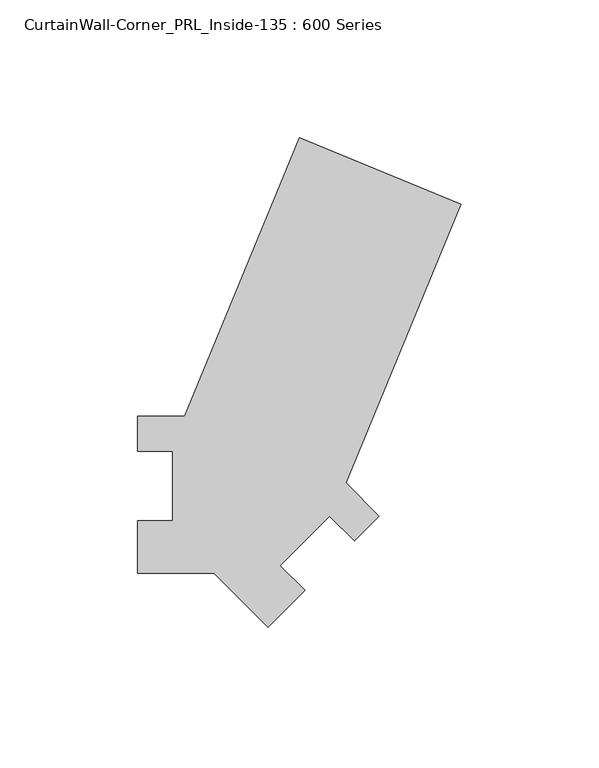
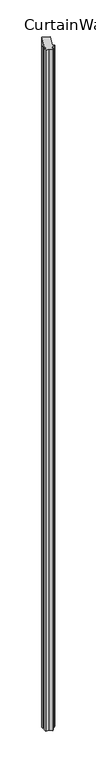
"""IFC4 building model written with IfcOpenShell, lengths in millimetres: proxy geometry, CurtainWall-Corner_PRL_Inside-135 : 600 Series."""

import ifcopenshell
import ifcopenshell.guid

model = None  # the IFC model being written
_history = None  # IfcOwnerHistory: only IFC2X3 demands one
_inside = {}  # id of a spatial element -> (the spatial element, [elements in it])
_under = {}  # id of a project, library or spatial element -> (it, [spatial elements below it])
_declared = {}  # id of a project -> (the project, [libraries it declares])
_typed = {}  # id of a type object -> (the type object, [elements of that type])
_made_of = {}  # id of a material, layer set ... -> (it, [elements and type objects made of it])


def new_model(schema):
    """Start an empty IFC model of exactly this schema.

    Asked for "IFC4X3", IfcOpenShell would pick the latest addendum, in which some entities
    have other attributes; the version numbers below select the first issue.
    IFC2X3 requires an IfcOwnerHistory on every rooted entity: one is made here for all.
    """
    global model, _history
    if schema == "IFC4X3":
        model = ifcopenshell.file(schema_version=(4, 3, 0, 0))
    else:
        model = ifcopenshell.file(schema=schema)
    _inside.clear()
    _under.clear()
    _declared.clear()
    _typed.clear()
    _made_of.clear()
    _history = None
    if model.schema == "IFC2X3":
        org = make("IfcOrganization", Name="unknown")
        user = make(
            "IfcPersonAndOrganization",
            ThePerson=make("IfcPerson", FamilyName="unknown"),
            TheOrganization=org,
        )
        app = make(
            "IfcApplication",
            ApplicationDeveloper=org,
            Version="unknown",
            ApplicationFullName="unknown",
            ApplicationIdentifier="unknown",
        )
        _history = make(
            "IfcOwnerHistory",
            OwningUser=user,
            OwningApplication=app,
            ChangeAction="ADDED",
            CreationDate=0,
        )
    return model


def make(cls, **values):
    """One entity of the class cls with the attributes given. An attribute that is None is left unset."""
    return model.create_entity(
        cls, **{name: value for name, value in values.items() if value is not None}
    )


def rooted(cls, **values):
    """An entity with a GlobalId (a new one), such as an element, a storey or a relation."""
    return make(cls, GlobalId=ifcopenshell.guid.new(), OwnerHistory=_history, **values)


def si_unit(unit_type, name, prefix=None):
    """IfcSIUnit, for example si_unit("LENGTHUNIT", "METRE", prefix="MILLI")."""
    return make("IfcSIUnit", UnitType=unit_type, Prefix=prefix, Name=name)


def assignment(units):
    """IfcUnitAssignment: the units of a project."""
    return None if units is None else make("IfcUnitAssignment", Units=units)


def point(xyz):
    """IfcCartesianPoint."""
    return None if xyz is None else make("IfcCartesianPoint", Coordinates=xyz)


def direction(xyz):
    """IfcDirection."""
    return None if xyz is None else make("IfcDirection", DirectionRatios=xyz)


def frame(location, z_axis=None, x_axis=None):
    """IfcAxis2Placement3D, a coordinate frame: its origin and axes. An axis left out is left unset."""
    return make(
        "IfcAxis2Placement3D",
        Location=point(location),
        Axis=direction(z_axis),
        RefDirection=direction(x_axis),
    )


def origin():
    """The frame at (0, 0, 0) with its axes left unset."""
    return frame((0.0, 0.0, 0.0))


def origin_with_axes():
    """The frame at (0, 0, 0) with the z axis (0, 0, 1) and the x axis (1, 0, 0) written out."""
    return frame((0.0, 0.0, 0.0), z_axis=(0.0, 0.0, 1.0), x_axis=(1.0, 0.0, 0.0))


def place(relative_to, where):
    """IfcLocalPlacement: puts the frame where relative to a parent placement (None: the world)."""
    return make(
        "IfcLocalPlacement", PlacementRelTo=relative_to, RelativePlacement=where
    )


def context(
    kind, dimensions, precision=None, world=None, true_north=None, identifier=None
):
    """IfcGeometricRepresentationContext, for example the 3D "Model" context."""
    return make(
        "IfcGeometricRepresentationContext",
        ContextIdentifier=identifier,
        ContextType=kind,
        CoordinateSpaceDimension=dimensions,
        Precision=precision,
        WorldCoordinateSystem=world,
        TrueNorth=true_north,
    )


def project(units=None, contexts=None):
    """IfcProject with its units and contexts."""
    return rooted(
        "IfcProject",
        Name="project",
        RepresentationContexts=contexts,
        UnitsInContext=assignment(units),
    )


def spatial(cls, under=None, at=None, **own):
    """A site, building, storey or space (cls), placed at a placement, below another one or the project."""
    s = rooted(cls, ObjectPlacement=at, **own)
    if under is not None:
        _under.setdefault(under.id(), (under, []))[1].append(s)
    return s


def polyline(points):
    """IfcPolyline through the points."""
    return make("IfcPolyline", Points=[point(p) for p in points])


def outline(outer, holes=None, kind="AREA"):
    """IfcArbitraryClosedProfileDef: a profile drawn as a closed curve; with holes, ...WithVoids."""
    if holes is None:
        return make("IfcArbitraryClosedProfileDef", ProfileType=kind, OuterCurve=outer)
    return make(
        "IfcArbitraryProfileDefWithVoids",
        ProfileType=kind,
        OuterCurve=outer,
        InnerCurves=holes,
    )


def extrude(swept, where, along, depth):
    """IfcExtrudedAreaSolid: the profile swept, set in the frame where, extruded along a direction by depth."""
    return make(
        "IfcExtrudedAreaSolid",
        SweptArea=swept,
        Position=where,
        ExtrudedDirection=direction(along),
        Depth=depth,
    )


def shape(context_of_items, identifier, shape_type, items):
    """IfcShapeRepresentation: the items that make up one representation, for example the "Body"."""
    return make(
        "IfcShapeRepresentation",
        ContextOfItems=context_of_items,
        RepresentationIdentifier=identifier,
        RepresentationType=shape_type,
        Items=items,
    )


def source(mapping_origin, context_of_items, identifier, shape_type, items):
    """IfcRepresentationMap: a shape defined once, which mapped items show again and again."""
    return make(
        "IfcRepresentationMap",
        MappingOrigin=mapping_origin,
        MappedRepresentation=shape(context_of_items, identifier, shape_type, items),
    )


def transform(
    local_origin,
    x_axis=None,
    y_axis=None,
    z_axis=None,
    scale=None,
    scale2=None,
    scale3=None,
    uniform=True,
):
    """IfcCartesianTransformationOperator3D, or its non-uniform kind. x_axis, y_axis, z_axis: its Axis1, 2, 3."""
    if uniform:
        return make(
            "IfcCartesianTransformationOperator3D",
            Axis1=direction(x_axis),
            Axis2=direction(y_axis),
            LocalOrigin=point(local_origin),
            Scale=scale,
            Axis3=direction(z_axis),
        )
    return make(
        "IfcCartesianTransformationOperator3DnonUniform",
        Axis1=direction(x_axis),
        Axis2=direction(y_axis),
        LocalOrigin=point(local_origin),
        Scale=scale,
        Axis3=direction(z_axis),
        Scale2=scale2,
        Scale3=scale3,
    )


def mapped(mapping_source, mapping_target):
    """IfcMappedItem: shows the shape of a source again, moved by a transform."""
    return make(
        "IfcMappedItem", MappingSource=mapping_source, MappingTarget=mapping_target
    )


def made_of(thing, what):
    """Note that an element or type object is made of a material, layer set ...; save() writes the relation."""
    if what is not None:
        _made_of.setdefault(what.id(), (what, []))[1].append(thing)
    return thing


def element(
    cls,
    number,
    at=None,
    inside=None,
    cuts=None,
    type_object=None,
    material=None,
    context=None,
    identifier="Body",
    shape_type=None,
    held_by="IfcProductDefinitionShape",
    body=None,
    shapes=None,
    **own,
):
    """One element of the class cls, such as IfcWall. Its Tag is "e" and its number.

    at: its placement. inside: the storey or other place that contains it. cuts: it is an
    opening in that element (IfcRelVoidsElement). A single representation is given by context,
    identifier, shape_type and body (its items); several are given by shapes. held_by: the class
    of the entity that holds the representations. save() writes the other relations.
    """
    e = rooted(cls, Tag="e%d" % number, ObjectPlacement=at, **own)
    if body is not None:
        shapes = [shape(context, identifier, shape_type, body)]
    if shapes is not None:
        e.Representation = make(held_by, Representations=shapes)
    if inside is not None:
        _inside.setdefault(inside.id(), (inside, []))[1].append(e)
    if cuts is not None:
        rooted(
            "IfcRelVoidsElement", RelatingBuildingElement=cuts, RelatedOpeningElement=e
        )
    if type_object is not None:
        _typed.setdefault(type_object.id(), (type_object, []))[1].append(e)
    return made_of(e, material)


def aggregate(whole, parts):
    """IfcRelAggregates: a whole, such as a stair, and the parts it consists of."""
    return rooted("IfcRelAggregates", RelatingObject=whole, RelatedObjects=parts)


def save(model, path):
    """Write the relations noted so far, then the file.

    IfcRelAggregates (storeys below a building ...), IfcRelContainedInSpatialStructure (elements
    in a storey), IfcRelDefinesByType, IfcRelAssociatesMaterial and IfcRelDeclares: one each for
    every whole, place, type object, material and project.
    """
    for whole, parts in _under.values():
        aggregate(whole, parts)
    for where, things in _inside.values():
        rooted(
            "IfcRelContainedInSpatialStructure",
            RelatedElements=things,
            RelatingStructure=where,
        )
    for kind, things in _typed.values():
        rooted("IfcRelDefinesByType", RelatedObjects=things, RelatingType=kind)
    for what, things in _made_of.values():
        rooted("IfcRelAssociatesMaterial", RelatedObjects=things, RelatingMaterial=what)
    for by, libraries in _declared.values():
        rooted("IfcRelDeclares", RelatingContext=by, RelatedDefinitions=libraries)
    model.write(path)


def curtainwall_corner_prl_inside_135_600_series_3800a64a(model_context):
    return source(origin(), model_context, "Body", "SweptSolid", [
        extrude(outline(polyline([(-40.9325306, -31.75), (-40.9325306, -12.7), (-28.2325306, -12.7), (-28.2325306, 12.7), (-40.9325306, 12.7), (-40.9325306, 25.4), (-23.8449279, 25.4), (18.0732586, 126.5994543), (76.7396089, 102.2990563), (34.8214224, 1.099602), (46.9041822, -10.9831577), (37.9239261, -19.9634138), (28.94367, -10.9831577), (10.9831577, -28.94367), (19.9634138, -37.9239261), (6.4930297, -51.3943103), (-13.1512806, -31.75), (-40.9325306, -31.75)])), origin_with_axes(), (0.0, 0.0, 1.0), 6096.0),
    ])


if __name__ == "__main__":
    model = new_model("IFC4")
    model_context = context("Model", 3, world=origin())
    ifc_project = project(units=[si_unit("LENGTHUNIT", "METRE", prefix="MILLI")], contexts=[model_context])
    site = spatial("IfcSite", under=ifc_project)
    building = spatial("IfcBuilding", under=site)
    placement = place(None, origin())
    curtainwall_corner_prl_inside_135_600_series_shape = curtainwall_corner_prl_inside_135_600_series_3800a64a(model_context)
    element("IfcBuildingElementProxy", 1, Name="CurtainWall-Corner_PRL_Inside-135 : 600 Series", ObjectType="CurtainWall-Corner_PRL_Inside-135 : 600 Series", at=placement, inside=building, context=model_context, shape_type="MappedRepresentation", body=[
        mapped(curtainwall_corner_prl_inside_135_600_series_shape, transform((0.0, 0.0, 0.0), x_axis=(1.0, 0.0, 0.0), y_axis=(0.0, 1.0, 0.0), z_axis=(0.0, 0.0, 1.0))),
    ])
    save(model, "model.ifc")
